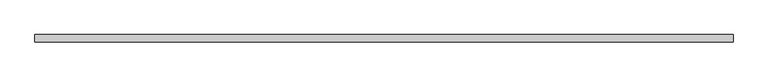
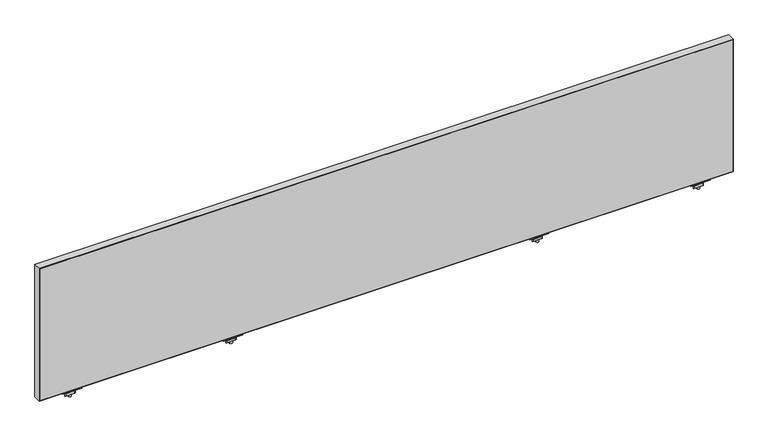
"""IFC4 building model written with IfcOpenShell, lengths in millimetres: furniture geometry."""

from ifc_helpers import new_model, si_unit, frame, origin, place, context, project, spatial, polyline, circle_curve, outline, extrude, source, transform, mapped, element, save
from ifc_brep_helpers import plane_surface, cylinder_surface, advanced_brep


def furniture_0c1c678f(model_context):
    return source(origin(), model_context, "Body", "SolidModel", [
        advanced_brep(
        [(536.8033004, -29.196837, 670.6616072), (536.8033004, -33.5530914, 671.3021931), (536.8033004, -43.8905804, 671.3021931), (536.8033004, -48.246837, 670.6616072), (536.8033004, -48.246837, 668.8074326), (536.8033004, -29.196837, 668.8074326), (486.0033035, -29.196837, 670.6616072), (486.0033035, -29.196837, 668.8074326), (486.0033035, -48.246837, 668.8074326), (486.0033035, -48.246837, 670.6616072), (486.0033035, -43.8905804, 671.3021931), (486.0033035, -33.5530914, 671.3021931), (507.3105233, -38.7342719, 668.8074326), (515.2934767, -38.7342719, 668.8074326), (515.2934767, -38.7342719, 671.3021931), (507.3105233, -38.7342719, 671.3021931), (507.3105233, -38.7342719, 650.2879234), (515.2934767, -38.7342719, 650.2879234), (507.3105233, -38.7342719, 676.3883652), (515.2934767, -38.7342719, 676.3883652), (507.3105233, -38.7342719, 665.4211567), (515.2934767, -38.7342719, 665.4211567), (515.2934767, -38.7342719, 659.0711809), (507.3105233, -38.7342719, 659.0711809), (500.9859918, -33.0068357, 665.4211567), (494.8268209, -43.6748356, 665.4211567), (496.1466433, -45.9608347, 665.4211567), (519.1792346, -45.9608347, 665.4211567), (521.8188771, -44.4368361, 665.4211567), (527.9780487, -33.7688351, 665.4211567), (526.6582256, -31.4828349, 665.4211567), (503.6256383, -31.4828349, 665.4211567), (500.9859918, -33.0068357, 659.0711809), (503.6256383, -31.4828349, 659.0711809), (526.6582256, -31.4828349, 659.0711809), (527.9780487, -33.7688351, 659.0711809), (521.8188771, -44.4368361, 659.0711809), (519.1792346, -45.9608347, 659.0711809), (496.1466433, -45.9608347, 659.0711809), (494.8268209, -43.6748356, 659.0711809)],
        [
            (0, 1),
            (1, 2),
            (2, 3),
            (3, 4),
            (4, 5),
            (5, 0),
            (6, 7),
            (7, 8),
            (8, 9),
            (9, 10),
            (10, 11),
            (11, 6),
            (5, 7),
            (6, 0),
            (4, 8),
            (12, 13, circle_curve(frame((511.302, -38.7342719, 668.8074326), z_axis=(0.0, 0.0, 1.0), x_axis=(1.0, 0.0, 0.0)), 3.9914767)),
            (13, 12, circle_curve(frame((511.302, -38.7342719, 668.8074326), z_axis=(0.0, 0.0, 1.0), x_axis=(1.0, 0.0, 0.0)), 3.9914767)),
            (3, 9),
            (2, 10),
            (1, 11),
            (14, 15, circle_curve(frame((511.302, -38.7342719, 671.3021931), z_axis=(0.0, 0.0, -1.0), x_axis=(1.0, 0.0, 0.0)), 3.9914767)),
            (15, 14, circle_curve(frame((511.302, -38.7342719, 671.3021931), z_axis=(0.0, 0.0, -1.0), x_axis=(1.0, 0.0, 0.0)), 3.9914767)),
            (16, 17, circle_curve(frame((511.302, -38.7342719, 650.2879234), z_axis=(0.0, 0.0, -1.0), x_axis=(1.0, 0.0, 0.0)), 3.9914767)),
            (17, 16, circle_curve(frame((511.302, -38.7342719, 650.2879234), z_axis=(0.0, 0.0, -1.0), x_axis=(1.0, 0.0, 0.0)), 3.9914767)),
            (18, 19, circle_curve(frame((511.302, -38.7342719, 676.3883652), z_axis=(0.0, 0.0, 1.0), x_axis=(1.0, 0.0, 0.0)), 3.9914767)),
            (19, 18, circle_curve(frame((511.302, -38.7342719, 676.3883652), z_axis=(0.0, 0.0, 1.0), x_axis=(1.0, 0.0, 0.0)), 3.9914767)),
            (12, 20),
            (20, 21, circle_curve(frame((511.302, -38.7342719, 665.4211567), z_axis=(0.0, 0.0, 1.0), x_axis=(1.0, 0.0, 0.0)), 3.9914767)),
            (21, 13),
            (17, 22),
            (22, 23, circle_curve(frame((511.302, -38.7342719, 659.0711809), z_axis=(0.0, 0.0, -1.0), x_axis=(1.0, 0.0, 0.0)), 3.9914767)),
            (23, 16),
            (18, 15),
            (14, 19),
            (21, 20, circle_curve(frame((511.302, -38.7342719, 665.4211567), z_axis=(0.0, 0.0, 1.0), x_axis=(1.0, 0.0, 0.0)), 3.9914767)),
            (23, 22, circle_curve(frame((511.302, -38.7342719, 659.0711809), z_axis=(0.0, 0.0, -1.0), x_axis=(1.0, 0.0, 0.0)), 3.9914767)),
            (24, 25),
            (25, 26, circle_curve(frame((496.1466433, -44.4368352, 665.4211567), z_axis=(0.0, 0.0, 1.0), x_axis=(1.0, 0.0, 0.0)), 1.5239995)),
            (26, 27),
            (27, 28, circle_curve(frame((519.1792346, -42.9128382, 665.4211567), z_axis=(0.0, 0.0, 1.0), x_axis=(1.0, 0.0, 0.0)), 3.0479965)),
            (28, 29),
            (29, 30, circle_curve(frame((526.6582256, -33.0068351, 665.4211567), z_axis=(0.0, 0.0, 1.0), x_axis=(1.0, 0.0, 0.0)), 1.5240003)),
            (30, 31),
            (31, 24, circle_curve(frame((503.6256383, -34.5308359, 665.4211567), z_axis=(0.0, 0.0, 1.0), x_axis=(1.0, 0.0, 0.0)), 3.048001)),
            (32, 33, circle_curve(frame((503.6256383, -34.5308359, 659.0711809), z_axis=(0.0, 0.0, -1.0), x_axis=(1.0, 0.0, 0.0)), 3.048001)),
            (33, 34),
            (34, 35, circle_curve(frame((526.6582256, -33.0068351, 659.0711809), z_axis=(0.0, 0.0, -1.0), x_axis=(1.0, 0.0, 0.0)), 1.5240003)),
            (35, 36),
            (36, 37, circle_curve(frame((519.1792346, -42.9128382, 659.0711809), z_axis=(0.0, 0.0, -1.0), x_axis=(1.0, 0.0, 0.0)), 3.0479965)),
            (37, 38),
            (38, 39, circle_curve(frame((496.1466433, -44.4368352, 659.0711809), z_axis=(0.0, 0.0, -1.0), x_axis=(1.0, 0.0, 0.0)), 1.5239995)),
            (39, 32),
            (24, 32),
            (39, 25),
            (38, 26),
            (37, 27),
            (36, 28),
            (35, 29),
            (34, 30),
            (33, 31),
        ],
        [
            plane_surface(frame((536.8033004, -33.5530914, 671.3021931), z_axis=(1.0000000000000002, 0.0, 0.0), x_axis=(0.0, -0.9893604345476915, 0.14548515577749913))),
            plane_surface(frame((486.0033035, -33.5530914, 671.3021931), z_axis=(-1.0000000000000002, 0.0, 0.0), x_axis=(0.0, 0.9893604345476915, -0.14548515577749913))),
            plane_surface(frame((536.8033004, -29.196837, 668.8074326), z_axis=(0.0, 1.0, 0.0), x_axis=(-1.0, 0.0, 0.0))),
            plane_surface(frame((536.8033004, -48.246837, 668.8074326), z_axis=(0.0, 0.0, -1.0), x_axis=(-1.0, 0.0, 0.0))),
            plane_surface(frame((536.8033004, -48.246837, 670.6616072), z_axis=(0.0, -1.0, 0.0), x_axis=(-1.0, 0.0, 0.0))),
            plane_surface(frame((536.8033004, -43.8905804, 671.3021931), z_axis=(0.0, -0.1454850815406733, 0.9893604454641917), x_axis=(-1.0, 0.0, 0.0))),
            plane_surface(frame((536.8033004, -33.5530914, 671.3021931), z_axis=(0.0, 0.0, 1.0), x_axis=(-1.0, 0.0, 0.0))),
            plane_surface(frame((536.8033004, -29.196837, 670.6616072), z_axis=(0.0, 0.14548515577749913, 0.9893604345476915), x_axis=(-1.0, 0.0, 0.0))),
            plane_surface(frame((515.2934767, -38.7342719, 650.2879234), z_axis=(0.0, 0.0, -1.0), x_axis=(0.0, -1.0, 0.0))),
            plane_surface(frame((515.2934767, -38.7342719, 676.3883652), z_axis=(0.0, 0.0, 1.0), x_axis=(0.0, 1.0, 0.0))),
            cylinder_surface(frame((511.302, -38.7342719, 650.2879234), z_axis=(0.0, 0.0, 1.0), x_axis=(1.0, 0.0, 0.0)), 3.9914767),
            plane_surface(frame((494.8268201, -43.6748369, 665.4211567), z_axis=(0.0, 0.0, 1.0000000000000002), x_axis=(-0.4999998964528706, -0.8660254635673935, 0.0))),
            plane_surface(frame((494.8268201, -43.6748369, 659.0711809), z_axis=(0.0, 0.0, -1.0000000000000002), x_axis=(0.4999998964528706, 0.8660254635673935, 0.0))),
            plane_surface(frame((500.9859918, -33.0068357, 665.4211567), z_axis=(-0.8660254635673935, 0.4999998964528706, 0.0), x_axis=(0.0, 0.0, -1.0))),
            cylinder_surface(frame((496.1466433, -44.4368352, 659.0711809), z_axis=(0.0, 0.0, 1.0), x_axis=(1.0, 0.0, 0.0)), 1.5239995),
            plane_surface(frame((496.1466433, -45.9608347, 665.4211567), z_axis=(0.0, -1.0, 0.0), x_axis=(0.0, 0.0, -1.0))),
            cylinder_surface(frame((519.1792346, -42.9128382, 659.0711809), z_axis=(0.0, 0.0, 1.0), x_axis=(1.0, 0.0, 0.0)), 3.0479965),
            plane_surface(frame((521.8188771, -44.4368361, 665.4211567), z_axis=(0.8660254635674228, -0.4999998964528197, 0.0), x_axis=(0.0, 0.0, -1.0))),
            cylinder_surface(frame((526.6582256, -33.0068351, 659.0711809), z_axis=(0.0, 0.0, 1.0), x_axis=(1.0, 0.0, 0.0)), 1.5240003),
            plane_surface(frame((526.6582256, -31.4828349, 665.4211567), z_axis=(0.0, 1.0, 0.0), x_axis=(0.0, 0.0, -1.0))),
            cylinder_surface(frame((503.6256383, -34.5308359, 659.0711809), z_axis=(0.0, 0.0, 1.0), x_axis=(1.0, 0.0, 0.0)), 3.048001),
        ],
        [
            (0, [[1, 2, 3, 4, 5, 6]]),
            (1, [[7, 8, 9, 10, 11, 12]]),
            (2, [[-6, 13, -7, 14]]),
            (3, [[-5, 15, -8, -13], [16, 17]]),
            (4, [[-4, 18, -9, -15]]),
            (5, [[-3, 19, -10, -18]]),
            (6, [[-2, 20, -11, -19], [21, 22]]),
            (7, [[-1, -14, -12, -20]]),
            (8, [[23, 24]]),
            (9, [[25, 26]]),
            (10, [[-16, 27, 28, 29]]),
            (10, [[-24, 30, 31, 32]]),
            (10, [[-25, 33, -21, 34]]),
            (10, [[-17, -29, 35, -27]]),
            (10, [[-23, -32, 36, -30]]),
            (10, [[-26, -34, -22, -33]]),
            (11, [[37, 38, 39, 40, 41, 42, 43, 44], [-28, -35]]),
            (12, [[45, 46, 47, 48, 49, 50, 51, 52], [-31, -36]]),
            (13, [[-37, 53, -52, 54]]),
            (14, [[-38, -54, -51, 55]]),
            (15, [[-39, -55, -50, 56]]),
            (16, [[-40, -56, -49, 57]]),
            (17, [[-41, -57, -48, 58]]),
            (18, [[-42, -58, -47, 59]]),
            (19, [[-43, -59, -46, 60]]),
            (20, [[-44, -60, -45, -53]]),
        ],
    ),
        advanced_brep(
        [(1766.6713004, -29.196837, 670.6616072), (1766.6713004, -33.5530914, 671.3021931), (1766.6713004, -43.8905804, 671.3021931), (1766.6713004, -48.246837, 670.6616072), (1766.6713004, -48.246837, 668.8074326), (1766.6713004, -29.196837, 668.8074326), (1715.8713035, -29.196837, 670.6616072), (1715.8713035, -29.196837, 668.8074326), (1715.8713035, -48.246837, 668.8074326), (1715.8713035, -48.246837, 670.6616072), (1715.8713035, -43.8905804, 671.3021931), (1715.8713035, -33.5530914, 671.3021931), (1737.1785233, -38.7342719, 668.8074326), (1745.1614767, -38.7342719, 668.8074326), (1745.1614767, -38.7342719, 671.3021931), (1737.1785233, -38.7342719, 671.3021931), (1737.1785233, -38.7342719, 650.2879234), (1745.1614767, -38.7342719, 650.2879234), (1737.1785233, -38.7342719, 676.3883652), (1745.1614767, -38.7342719, 676.3883652), (1737.1785233, -38.7342719, 665.4211567), (1745.1614767, -38.7342719, 665.4211567), (1745.1614767, -38.7342719, 659.0711809), (1737.1785233, -38.7342719, 659.0711809), (1730.8539918, -33.0068357, 665.4211567), (1724.6948209, -43.6748356, 665.4211567), (1726.0146433, -45.9608347, 665.4211567), (1749.0472346, -45.9608347, 665.4211567), (1751.6868771, -44.4368361, 665.4211567), (1757.8460487, -33.7688351, 665.4211567), (1756.5262256, -31.4828349, 665.4211567), (1733.4936383, -31.4828349, 665.4211567), (1730.8539918, -33.0068357, 659.0711809), (1733.4936383, -31.4828349, 659.0711809), (1756.5262256, -31.4828349, 659.0711809), (1757.8460487, -33.7688351, 659.0711809), (1751.6868771, -44.4368361, 659.0711809), (1749.0472346, -45.9608347, 659.0711809), (1726.0146433, -45.9608347, 659.0711809), (1724.6948209, -43.6748356, 659.0711809)],
        [
            (0, 1),
            (1, 2),
            (2, 3),
            (3, 4),
            (4, 5),
            (5, 0),
            (6, 7),
            (7, 8),
            (8, 9),
            (9, 10),
            (10, 11),
            (11, 6),
            (5, 7),
            (6, 0),
            (4, 8),
            (12, 13, circle_curve(frame((1741.17, -38.7342719, 668.8074326), z_axis=(0.0, 0.0, 1.0), x_axis=(1.0, 0.0, 0.0)), 3.9914767)),
            (13, 12, circle_curve(frame((1741.17, -38.7342719, 668.8074326), z_axis=(0.0, 0.0, 1.0), x_axis=(1.0, 0.0, 0.0)), 3.9914767)),
            (3, 9),
            (2, 10),
            (1, 11),
            (14, 15, circle_curve(frame((1741.17, -38.7342719, 671.3021931), z_axis=(0.0, 0.0, -1.0), x_axis=(1.0, 0.0, 0.0)), 3.9914767)),
            (15, 14, circle_curve(frame((1741.17, -38.7342719, 671.3021931), z_axis=(0.0, 0.0, -1.0), x_axis=(1.0, 0.0, 0.0)), 3.9914767)),
            (16, 17, circle_curve(frame((1741.17, -38.7342719, 650.2879234), z_axis=(0.0, 0.0, -1.0), x_axis=(1.0, 0.0, 0.0)), 3.9914767)),
            (17, 16, circle_curve(frame((1741.17, -38.7342719, 650.2879234), z_axis=(0.0, 0.0, -1.0), x_axis=(1.0, 0.0, 0.0)), 3.9914767)),
            (18, 19, circle_curve(frame((1741.17, -38.7342719, 676.3883652), z_axis=(0.0, 0.0, 1.0), x_axis=(1.0, 0.0, 0.0)), 3.9914767)),
            (19, 18, circle_curve(frame((1741.17, -38.7342719, 676.3883652), z_axis=(0.0, 0.0, 1.0), x_axis=(1.0, 0.0, 0.0)), 3.9914767)),
            (12, 20),
            (20, 21, circle_curve(frame((1741.17, -38.7342719, 665.4211567), z_axis=(0.0, 0.0, 1.0), x_axis=(1.0, 0.0, 0.0)), 3.9914767)),
            (21, 13),
            (17, 22),
            (22, 23, circle_curve(frame((1741.17, -38.7342719, 659.0711809), z_axis=(0.0, 0.0, -1.0), x_axis=(1.0, 0.0, 0.0)), 3.9914767)),
            (23, 16),
            (18, 15),
            (14, 19),
            (21, 20, circle_curve(frame((1741.17, -38.7342719, 665.4211567), z_axis=(0.0, 0.0, 1.0), x_axis=(1.0, 0.0, 0.0)), 3.9914767)),
            (23, 22, circle_curve(frame((1741.17, -38.7342719, 659.0711809), z_axis=(0.0, 0.0, -1.0), x_axis=(1.0, 0.0, 0.0)), 3.9914767)),
            (24, 25),
            (25, 26, circle_curve(frame((1726.0146433, -44.4368352, 665.4211567), z_axis=(0.0, 0.0, 1.0), x_axis=(1.0, 0.0, 0.0)), 1.5239995)),
            (26, 27),
            (27, 28, circle_curve(frame((1749.0472346, -42.9128382, 665.4211567), z_axis=(0.0, 0.0, 1.0), x_axis=(1.0, 0.0, 0.0)), 3.0479965)),
            (28, 29),
            (29, 30, circle_curve(frame((1756.5262256, -33.0068351, 665.4211567), z_axis=(0.0, 0.0, 1.0), x_axis=(1.0, 0.0, 0.0)), 1.5240003)),
            (30, 31),
            (31, 24, circle_curve(frame((1733.4936383, -34.5308359, 665.4211567), z_axis=(0.0, 0.0, 1.0), x_axis=(1.0, 0.0, 0.0)), 3.048001)),
            (32, 33, circle_curve(frame((1733.4936383, -34.5308359, 659.0711809), z_axis=(0.0, 0.0, -1.0), x_axis=(1.0, 0.0, 0.0)), 3.048001)),
            (33, 34),
            (34, 35, circle_curve(frame((1756.5262256, -33.0068351, 659.0711809), z_axis=(0.0, 0.0, -1.0), x_axis=(1.0, 0.0, 0.0)), 1.5240003)),
            (35, 36),
            (36, 37, circle_curve(frame((1749.0472346, -42.9128382, 659.0711809), z_axis=(0.0, 0.0, -1.0), x_axis=(1.0, 0.0, 0.0)), 3.0479965)),
            (37, 38),
            (38, 39, circle_curve(frame((1726.0146433, -44.4368352, 659.0711809), z_axis=(0.0, 0.0, -1.0), x_axis=(1.0, 0.0, 0.0)), 1.5239995)),
            (39, 32),
            (24, 32),
            (39, 25),
            (38, 26),
            (37, 27),
            (36, 28),
            (35, 29),
            (34, 30),
            (33, 31),
        ],
        [
            plane_surface(frame((1766.6713004, -33.5530914, 671.3021931), z_axis=(1.0000000000000002, 0.0, 0.0), x_axis=(0.0, -0.9893604345476915, 0.14548515577749913))),
            plane_surface(frame((1715.8713035, -33.5530914, 671.3021931), z_axis=(-1.0000000000000002, 0.0, 0.0), x_axis=(0.0, 0.9893604345476915, -0.14548515577749913))),
            plane_surface(frame((1766.6713004, -29.196837, 668.8074326), z_axis=(0.0, 1.0, 0.0), x_axis=(-1.0, 0.0, 0.0))),
            plane_surface(frame((1766.6713004, -48.246837, 668.8074326), z_axis=(0.0, 0.0, -1.0), x_axis=(-1.0, 0.0, 0.0))),
            plane_surface(frame((1766.6713004, -48.246837, 670.6616072), z_axis=(0.0, -1.0, 0.0), x_axis=(-1.0, 0.0, 0.0))),
            plane_surface(frame((1766.6713004, -43.8905804, 671.3021931), z_axis=(0.0, -0.1454850815406733, 0.9893604454641917), x_axis=(-1.0, 0.0, 0.0))),
            plane_surface(frame((1766.6713004, -33.5530914, 671.3021931), z_axis=(0.0, 0.0, 1.0), x_axis=(-1.0, 0.0, 0.0))),
            plane_surface(frame((1766.6713004, -29.196837, 670.6616072), z_axis=(0.0, 0.14548515577749913, 0.9893604345476915), x_axis=(-1.0, 0.0, 0.0))),
            plane_surface(frame((1745.1614767, -38.7342719, 650.2879234), z_axis=(0.0, 0.0, -1.0), x_axis=(0.0, -1.0, 0.0))),
            plane_surface(frame((1745.1614767, -38.7342719, 676.3883652), z_axis=(0.0, 0.0, 1.0), x_axis=(0.0, 1.0, 0.0))),
            cylinder_surface(frame((1741.17, -38.7342719, 650.2879234), z_axis=(0.0, 0.0, 1.0), x_axis=(1.0, 0.0, 0.0)), 3.9914767),
            plane_surface(frame((1724.6948201, -43.6748369, 665.4211567), z_axis=(0.0, 0.0, 1.0000000000000002), x_axis=(-0.4999998964528706, -0.8660254635673935, 0.0))),
            plane_surface(frame((1724.6948201, -43.6748369, 659.0711809), z_axis=(0.0, 0.0, -1.0000000000000002), x_axis=(0.4999998964528706, 0.8660254635673935, 0.0))),
            plane_surface(frame((1730.8539918, -33.0068357, 665.4211567), z_axis=(-0.8660254635673935, 0.4999998964528706, 0.0), x_axis=(0.0, 0.0, -1.0))),
            cylinder_surface(frame((1726.0146433, -44.4368352, 659.0711809), z_axis=(0.0, 0.0, 1.0), x_axis=(1.0, 0.0, 0.0)), 1.5239995),
            plane_surface(frame((1726.0146433, -45.9608347, 665.4211567), z_axis=(0.0, -1.0, 0.0), x_axis=(0.0, 0.0, -1.0))),
            cylinder_surface(frame((1749.0472346, -42.9128382, 659.0711809), z_axis=(0.0, 0.0, 1.0), x_axis=(1.0, 0.0, 0.0)), 3.0479965),
            plane_surface(frame((1751.6868771, -44.4368361, 665.4211567), z_axis=(0.8660254635674228, -0.4999998964528197, 0.0), x_axis=(0.0, 0.0, -1.0))),
            cylinder_surface(frame((1756.5262256, -33.0068351, 659.0711809), z_axis=(0.0, 0.0, 1.0), x_axis=(1.0, 0.0, 0.0)), 1.5240003),
            plane_surface(frame((1756.5262256, -31.4828349, 665.4211567), z_axis=(0.0, 1.0, 0.0), x_axis=(0.0, 0.0, -1.0))),
            cylinder_surface(frame((1733.4936383, -34.5308359, 659.0711809), z_axis=(0.0, 0.0, 1.0), x_axis=(1.0, 0.0, 0.0)), 3.048001),
        ],
        [
            (0, [[1, 2, 3, 4, 5, 6]]),
            (1, [[7, 8, 9, 10, 11, 12]]),
            (2, [[-6, 13, -7, 14]]),
            (3, [[-5, 15, -8, -13], [16, 17]]),
            (4, [[-4, 18, -9, -15]]),
            (5, [[-3, 19, -10, -18]]),
            (6, [[-2, 20, -11, -19], [21, 22]]),
            (7, [[-1, -14, -12, -20]]),
            (8, [[23, 24]]),
            (9, [[25, 26]]),
            (10, [[-16, 27, 28, 29]]),
            (10, [[-24, 30, 31, 32]]),
            (10, [[-25, 33, -21, 34]]),
            (10, [[-17, -29, 35, -27]]),
            (10, [[-23, -32, 36, -30]]),
            (10, [[-26, -34, -22, -33]]),
            (11, [[37, 38, 39, 40, 41, 42, 43, 44], [-28, -35]]),
            (12, [[45, 46, 47, 48, 49, 50, 51, 52], [-31, -36]]),
            (13, [[-37, 53, -52, 54]]),
            (14, [[-38, -54, -51, 55]]),
            (15, [[-39, -55, -50, 56]]),
            (16, [[-40, -56, -49, 57]]),
            (17, [[-41, -57, -48, 58]]),
            (18, [[-42, -58, -47, 59]]),
            (19, [[-43, -59, -46, 60]]),
            (20, [[-44, -60, -45, -53]]),
        ],
    ),
        advanced_brep(
        [(1342.9993004, -29.196837, 670.6616072), (1342.9993004, -33.5530914, 671.3021931), (1342.9993004, -43.8905804, 671.3021931), (1342.9993004, -48.246837, 670.6616072), (1342.9993004, -48.246837, 668.8074326), (1342.9993004, -29.196837, 668.8074326), (1292.1993035, -29.196837, 670.6616072), (1292.1993035, -29.196837, 668.8074326), (1292.1993035, -48.246837, 668.8074326), (1292.1993035, -48.246837, 670.6616072), (1292.1993035, -43.8905804, 671.3021931), (1292.1993035, -33.5530914, 671.3021931), (1313.5065233, -38.7342719, 668.8074326), (1321.4894767, -38.7342719, 668.8074326), (1321.4894767, -38.7342719, 671.3021931), (1313.5065233, -38.7342719, 671.3021931), (1313.5065233, -38.7342719, 650.2879234), (1321.4894767, -38.7342719, 650.2879234), (1313.5065233, -38.7342719, 676.3883652), (1321.4894767, -38.7342719, 676.3883652), (1313.5065233, -38.7342719, 665.4211567), (1321.4894767, -38.7342719, 665.4211567), (1321.4894767, -38.7342719, 659.0711809), (1313.5065233, -38.7342719, 659.0711809), (1307.1819918, -33.0068357, 665.4211567), (1301.0228209, -43.6748356, 665.4211567), (1302.3426433, -45.9608347, 665.4211567), (1325.3752346, -45.9608347, 665.4211567), (1328.0148771, -44.4368361, 665.4211567), (1334.1740487, -33.7688351, 665.4211567), (1332.8542256, -31.4828349, 665.4211567), (1309.8216383, -31.4828349, 665.4211567), (1307.1819918, -33.0068357, 659.0711809), (1309.8216383, -31.4828349, 659.0711809), (1332.8542256, -31.4828349, 659.0711809), (1334.1740487, -33.7688351, 659.0711809), (1328.0148771, -44.4368361, 659.0711809), (1325.3752346, -45.9608347, 659.0711809), (1302.3426433, -45.9608347, 659.0711809), (1301.0228209, -43.6748356, 659.0711809)],
        [
            (0, 1),
            (1, 2),
            (2, 3),
            (3, 4),
            (4, 5),
            (5, 0),
            (6, 7),
            (7, 8),
            (8, 9),
            (9, 10),
            (10, 11),
            (11, 6),
            (5, 7),
            (6, 0),
            (4, 8),
            (12, 13, circle_curve(frame((1317.498, -38.7342719, 668.8074326), z_axis=(0.0, 0.0, 1.0), x_axis=(1.0, 0.0, 0.0)), 3.9914767)),
            (13, 12, circle_curve(frame((1317.498, -38.7342719, 668.8074326), z_axis=(0.0, 0.0, 1.0), x_axis=(1.0, 0.0, 0.0)), 3.9914767)),
            (3, 9),
            (2, 10),
            (1, 11),
            (14, 15, circle_curve(frame((1317.498, -38.7342719, 671.3021931), z_axis=(0.0, 0.0, -1.0), x_axis=(1.0, 0.0, 0.0)), 3.9914767)),
            (15, 14, circle_curve(frame((1317.498, -38.7342719, 671.3021931), z_axis=(0.0, 0.0, -1.0), x_axis=(1.0, 0.0, 0.0)), 3.9914767)),
            (16, 17, circle_curve(frame((1317.498, -38.7342719, 650.2879234), z_axis=(0.0, 0.0, -1.0), x_axis=(1.0, 0.0, 0.0)), 3.9914767)),
            (17, 16, circle_curve(frame((1317.498, -38.7342719, 650.2879234), z_axis=(0.0, 0.0, -1.0), x_axis=(1.0, 0.0, 0.0)), 3.9914767)),
            (18, 19, circle_curve(frame((1317.498, -38.7342719, 676.3883652), z_axis=(0.0, 0.0, 1.0), x_axis=(1.0, 0.0, 0.0)), 3.9914767)),
            (19, 18, circle_curve(frame((1317.498, -38.7342719, 676.3883652), z_axis=(0.0, 0.0, 1.0), x_axis=(1.0, 0.0, 0.0)), 3.9914767)),
            (12, 20),
            (20, 21, circle_curve(frame((1317.498, -38.7342719, 665.4211567), z_axis=(0.0, 0.0, 1.0), x_axis=(1.0, 0.0, 0.0)), 3.9914767)),
            (21, 13),
            (17, 22),
            (22, 23, circle_curve(frame((1317.498, -38.7342719, 659.0711809), z_axis=(0.0, 0.0, -1.0), x_axis=(1.0, 0.0, 0.0)), 3.9914767)),
            (23, 16),
            (18, 15),
            (14, 19),
            (21, 20, circle_curve(frame((1317.498, -38.7342719, 665.4211567), z_axis=(0.0, 0.0, 1.0), x_axis=(1.0, 0.0, 0.0)), 3.9914767)),
            (23, 22, circle_curve(frame((1317.498, -38.7342719, 659.0711809), z_axis=(0.0, 0.0, -1.0), x_axis=(1.0, 0.0, 0.0)), 3.9914767)),
            (24, 25),
            (25, 26, circle_curve(frame((1302.3426433, -44.4368352, 665.4211567), z_axis=(0.0, 0.0, 1.0), x_axis=(1.0, 0.0, 0.0)), 1.5239995)),
            (26, 27),
            (27, 28, circle_curve(frame((1325.3752346, -42.9128382, 665.4211567), z_axis=(0.0, 0.0, 1.0), x_axis=(1.0, 0.0, 0.0)), 3.0479965)),
            (28, 29),
            (29, 30, circle_curve(frame((1332.8542256, -33.0068351, 665.4211567), z_axis=(0.0, 0.0, 1.0), x_axis=(1.0, 0.0, 0.0)), 1.5240003)),
            (30, 31),
            (31, 24, circle_curve(frame((1309.8216383, -34.5308359, 665.4211567), z_axis=(0.0, 0.0, 1.0), x_axis=(1.0, 0.0, 0.0)), 3.048001)),
            (32, 33, circle_curve(frame((1309.8216383, -34.5308359, 659.0711809), z_axis=(0.0, 0.0, -1.0), x_axis=(1.0, 0.0, 0.0)), 3.048001)),
            (33, 34),
            (34, 35, circle_curve(frame((1332.8542256, -33.0068351, 659.0711809), z_axis=(0.0, 0.0, -1.0), x_axis=(1.0, 0.0, 0.0)), 1.5240003)),
            (35, 36),
            (36, 37, circle_curve(frame((1325.3752346, -42.9128382, 659.0711809), z_axis=(0.0, 0.0, -1.0), x_axis=(1.0, 0.0, 0.0)), 3.0479965)),
            (37, 38),
            (38, 39, circle_curve(frame((1302.3426433, -44.4368352, 659.0711809), z_axis=(0.0, 0.0, -1.0), x_axis=(1.0, 0.0, 0.0)), 1.5239995)),
            (39, 32),
            (24, 32),
            (39, 25),
            (38, 26),
            (37, 27),
            (36, 28),
            (35, 29),
            (34, 30),
            (33, 31),
        ],
        [
            plane_surface(frame((1342.9993004, -33.5530914, 671.3021931), z_axis=(1.0000000000000002, 0.0, 0.0), x_axis=(0.0, -0.9893604345476915, 0.14548515577749913))),
            plane_surface(frame((1292.1993035, -33.5530914, 671.3021931), z_axis=(-1.0000000000000002, 0.0, 0.0), x_axis=(0.0, 0.9893604345476915, -0.14548515577749913))),
            plane_surface(frame((1342.9993004, -29.196837, 668.8074326), z_axis=(0.0, 1.0, 0.0), x_axis=(-1.0, 0.0, 0.0))),
            plane_surface(frame((1342.9993004, -48.246837, 668.8074326), z_axis=(0.0, 0.0, -1.0), x_axis=(-1.0, 0.0, 0.0))),
            plane_surface(frame((1342.9993004, -48.246837, 670.6616072), z_axis=(0.0, -1.0, 0.0), x_axis=(-1.0, 0.0, 0.0))),
            plane_surface(frame((1342.9993004, -43.8905804, 671.3021931), z_axis=(0.0, -0.1454850815406733, 0.9893604454641917), x_axis=(-1.0, 0.0, 0.0))),
            plane_surface(frame((1342.9993004, -33.5530914, 671.3021931), z_axis=(0.0, 0.0, 1.0), x_axis=(-1.0, 0.0, 0.0))),
            plane_surface(frame((1342.9993004, -29.196837, 670.6616072), z_axis=(0.0, 0.14548515577749913, 0.9893604345476915), x_axis=(-1.0, 0.0, 0.0))),
            plane_surface(frame((1321.4894767, -38.7342719, 650.2879234), z_axis=(0.0, 0.0, -1.0), x_axis=(0.0, -1.0, 0.0))),
            plane_surface(frame((1321.4894767, -38.7342719, 676.3883652), z_axis=(0.0, 0.0, 1.0), x_axis=(0.0, 1.0, 0.0))),
            cylinder_surface(frame((1317.498, -38.7342719, 650.2879234), z_axis=(0.0, 0.0, 1.0), x_axis=(1.0, 0.0, 0.0)), 3.9914767),
            plane_surface(frame((1301.0228201, -43.6748369, 665.4211567), z_axis=(0.0, 0.0, 1.0000000000000002), x_axis=(-0.4999998964528706, -0.8660254635673935, 0.0))),
            plane_surface(frame((1301.0228201, -43.6748369, 659.0711809), z_axis=(0.0, 0.0, -1.0000000000000002), x_axis=(0.4999998964528706, 0.8660254635673935, 0.0))),
            plane_surface(frame((1307.1819918, -33.0068357, 665.4211567), z_axis=(-0.8660254635673935, 0.4999998964528706, 0.0), x_axis=(0.0, 0.0, -1.0))),
            cylinder_surface(frame((1302.3426433, -44.4368352, 659.0711809), z_axis=(0.0, 0.0, 1.0), x_axis=(1.0, 0.0, 0.0)), 1.5239995),
            plane_surface(frame((1302.3426433, -45.9608347, 665.4211567), z_axis=(0.0, -1.0, 0.0), x_axis=(0.0, 0.0, -1.0))),
            cylinder_surface(frame((1325.3752346, -42.9128382, 659.0711809), z_axis=(0.0, 0.0, 1.0), x_axis=(1.0, 0.0, 0.0)), 3.0479965),
            plane_surface(frame((1328.0148771, -44.4368361, 665.4211567), z_axis=(0.8660254635674228, -0.4999998964528197, 0.0), x_axis=(0.0, 0.0, -1.0))),
            cylinder_surface(frame((1332.8542256, -33.0068351, 659.0711809), z_axis=(0.0, 0.0, 1.0), x_axis=(1.0, 0.0, 0.0)), 1.5240003),
            plane_surface(frame((1332.8542256, -31.4828349, 665.4211567), z_axis=(0.0, 1.0, 0.0), x_axis=(0.0, 0.0, -1.0))),
            cylinder_surface(frame((1309.8216383, -34.5308359, 659.0711809), z_axis=(0.0, 0.0, 1.0), x_axis=(1.0, 0.0, 0.0)), 3.048001),
        ],
        [
            (0, [[1, 2, 3, 4, 5, 6]]),
            (1, [[7, 8, 9, 10, 11, 12]]),
            (2, [[-6, 13, -7, 14]]),
            (3, [[-5, 15, -8, -13], [16, 17]]),
            (4, [[-4, 18, -9, -15]]),
            (5, [[-3, 19, -10, -18]]),
            (6, [[-2, 20, -11, -19], [21, 22]]),
            (7, [[-1, -14, -12, -20]]),
            (8, [[23, 24]]),
            (9, [[25, 26]]),
            (10, [[-16, 27, 28, 29]]),
            (10, [[-24, 30, 31, 32]]),
            (10, [[-25, 33, -21, 34]]),
            (10, [[-17, -29, 35, -27]]),
            (10, [[-23, -32, 36, -30]]),
            (10, [[-26, -34, -22, -33]]),
            (11, [[37, 38, 39, 40, 41, 42, 43, 44], [-28, -35]]),
            (12, [[45, 46, 47, 48, 49, 50, 51, 52], [-31, -36]]),
            (13, [[-37, 53, -52, 54]]),
            (14, [[-38, -54, -51, 55]]),
            (15, [[-39, -55, -50, 56]]),
            (16, [[-40, -56, -49, 57]]),
            (17, [[-41, -57, -48, 58]]),
            (18, [[-42, -58, -47, 59]]),
            (19, [[-43, -59, -46, 60]]),
            (20, [[-44, -60, -45, -53]]),
        ],
    ),
        advanced_brep(
        [(113.1313004, -29.196837, 670.6616072), (113.1313004, -33.5530914, 671.3021931), (113.1313004, -43.8905804, 671.3021931), (113.1313004, -48.246837, 670.6616072), (113.1313004, -48.246837, 668.8074326), (113.1313004, -29.196837, 668.8074326), (62.3313035, -29.196837, 670.6616072), (62.3313035, -29.196837, 668.8074326), (62.3313035, -48.246837, 668.8074326), (62.3313035, -48.246837, 670.6616072), (62.3313035, -43.8905804, 671.3021931), (62.3313035, -33.5530914, 671.3021931), (83.6385233, -38.7342719, 668.8074326), (91.6214767, -38.7342719, 668.8074326), (91.6214767, -38.7342719, 671.3021931), (83.6385233, -38.7342719, 671.3021931), (83.6385233, -38.7342719, 650.2879234), (91.6214767, -38.7342719, 650.2879234), (83.6385233, -38.7342719, 676.3883652), (91.6214767, -38.7342719, 676.3883652), (83.6385233, -38.7342719, 665.4211567), (91.6214767, -38.7342719, 665.4211567), (91.6214767, -38.7342719, 659.0711809), (83.6385233, -38.7342719, 659.0711809), (77.3139918, -33.0068357, 665.4211567), (71.1548209, -43.6748356, 665.4211567), (72.4746433, -45.9608347, 665.4211567), (95.5072346, -45.9608347, 665.4211567), (98.1468771, -44.4368361, 665.4211567), (104.3060487, -33.7688351, 665.4211567), (102.9862256, -31.4828349, 665.4211567), (79.9536383, -31.4828349, 665.4211567), (77.3139918, -33.0068357, 659.0711809), (79.9536383, -31.4828349, 659.0711809), (102.9862256, -31.4828349, 659.0711809), (104.3060487, -33.7688351, 659.0711809), (98.1468771, -44.4368361, 659.0711809), (95.5072346, -45.9608347, 659.0711809), (72.4746433, -45.9608347, 659.0711809), (71.1548209, -43.6748356, 659.0711809)],
        [
            (0, 1),
            (1, 2),
            (2, 3),
            (3, 4),
            (4, 5),
            (5, 0),
            (6, 7),
            (7, 8),
            (8, 9),
            (9, 10),
            (10, 11),
            (11, 6),
            (5, 7),
            (6, 0),
            (4, 8),
            (12, 13, circle_curve(frame((87.63, -38.7342719, 668.8074326), z_axis=(0.0, 0.0, 1.0), x_axis=(1.0, 0.0, 0.0)), 3.9914767)),
            (13, 12, circle_curve(frame((87.63, -38.7342719, 668.8074326), z_axis=(0.0, 0.0, 1.0), x_axis=(1.0, 0.0, 0.0)), 3.9914767)),
            (3, 9),
            (2, 10),
            (1, 11),
            (14, 15, circle_curve(frame((87.63, -38.7342719, 671.3021931), z_axis=(0.0, 0.0, -1.0), x_axis=(1.0, 0.0, 0.0)), 3.9914767)),
            (15, 14, circle_curve(frame((87.63, -38.7342719, 671.3021931), z_axis=(0.0, 0.0, -1.0), x_axis=(1.0, 0.0, 0.0)), 3.9914767)),
            (16, 17, circle_curve(frame((87.63, -38.7342719, 650.2879234), z_axis=(0.0, 0.0, -1.0), x_axis=(1.0, 0.0, 0.0)), 3.9914767)),
            (17, 16, circle_curve(frame((87.63, -38.7342719, 650.2879234), z_axis=(0.0, 0.0, -1.0), x_axis=(1.0, 0.0, 0.0)), 3.9914767)),
            (18, 19, circle_curve(frame((87.63, -38.7342719, 676.3883652), z_axis=(0.0, 0.0, 1.0), x_axis=(1.0, 0.0, 0.0)), 3.9914767)),
            (19, 18, circle_curve(frame((87.63, -38.7342719, 676.3883652), z_axis=(0.0, 0.0, 1.0), x_axis=(1.0, 0.0, 0.0)), 3.9914767)),
            (12, 20),
            (20, 21, circle_curve(frame((87.63, -38.7342719, 665.4211567), z_axis=(0.0, 0.0, 1.0), x_axis=(1.0, 0.0, 0.0)), 3.9914767)),
            (21, 13),
            (17, 22),
            (22, 23, circle_curve(frame((87.63, -38.7342719, 659.0711809), z_axis=(0.0, 0.0, -1.0), x_axis=(1.0, 0.0, 0.0)), 3.9914767)),
            (23, 16),
            (18, 15),
            (14, 19),
            (21, 20, circle_curve(frame((87.63, -38.7342719, 665.4211567), z_axis=(0.0, 0.0, 1.0), x_axis=(1.0, 0.0, 0.0)), 3.9914767)),
            (23, 22, circle_curve(frame((87.63, -38.7342719, 659.0711809), z_axis=(0.0, 0.0, -1.0), x_axis=(1.0, 0.0, 0.0)), 3.9914767)),
            (24, 25),
            (25, 26, circle_curve(frame((72.4746433, -44.4368352, 665.4211567), z_axis=(0.0, 0.0, 1.0), x_axis=(1.0, 0.0, 0.0)), 1.5239995)),
            (26, 27),
            (27, 28, circle_curve(frame((95.5072346, -42.9128382, 665.4211567), z_axis=(0.0, 0.0, 1.0), x_axis=(1.0, 0.0, 0.0)), 3.0479965)),
            (28, 29),
            (29, 30, circle_curve(frame((102.9862256, -33.0068351, 665.4211567), z_axis=(0.0, 0.0, 1.0), x_axis=(1.0, 0.0, 0.0)), 1.5240003)),
            (30, 31),
            (31, 24, circle_curve(frame((79.9536383, -34.5308359, 665.4211567), z_axis=(0.0, 0.0, 1.0), x_axis=(1.0, 0.0, 0.0)), 3.048001)),
            (32, 33, circle_curve(frame((79.9536383, -34.5308359, 659.0711809), z_axis=(0.0, 0.0, -1.0), x_axis=(1.0, 0.0, 0.0)), 3.048001)),
            (33, 34),
            (34, 35, circle_curve(frame((102.9862256, -33.0068351, 659.0711809), z_axis=(0.0, 0.0, -1.0), x_axis=(1.0, 0.0, 0.0)), 1.5240003)),
            (35, 36),
            (36, 37, circle_curve(frame((95.5072346, -42.9128382, 659.0711809), z_axis=(0.0, 0.0, -1.0), x_axis=(1.0, 0.0, 0.0)), 3.0479965)),
            (37, 38),
            (38, 39, circle_curve(frame((72.4746433, -44.4368352, 659.0711809), z_axis=(0.0, 0.0, -1.0), x_axis=(1.0, 0.0, 0.0)), 1.5239995)),
            (39, 32),
            (24, 32),
            (39, 25),
            (38, 26),
            (37, 27),
            (36, 28),
            (35, 29),
            (34, 30),
            (33, 31),
        ],
        [
            plane_surface(frame((113.1313004, -33.5530914, 671.3021931), z_axis=(1.0000000000000002, 0.0, 0.0), x_axis=(0.0, -0.9893604345476915, 0.14548515577749913))),
            plane_surface(frame((62.3313035, -33.5530914, 671.3021931), z_axis=(-1.0000000000000002, 0.0, 0.0), x_axis=(0.0, 0.9893604345476915, -0.14548515577749913))),
            plane_surface(frame((113.1313004, -29.196837, 668.8074326), z_axis=(0.0, 1.0, 0.0), x_axis=(-1.0, 0.0, 0.0))),
            plane_surface(frame((113.1313004, -48.246837, 668.8074326), z_axis=(0.0, 0.0, -1.0), x_axis=(-1.0, 0.0, 0.0))),
            plane_surface(frame((113.1313004, -48.246837, 670.6616072), z_axis=(0.0, -1.0, 0.0), x_axis=(-1.0, 0.0, 0.0))),
            plane_surface(frame((113.1313004, -43.8905804, 671.3021931), z_axis=(0.0, -0.1454850815406733, 0.9893604454641917), x_axis=(-1.0, 0.0, 0.0))),
            plane_surface(frame((113.1313004, -33.5530914, 671.3021931), z_axis=(0.0, 0.0, 1.0), x_axis=(-1.0, 0.0, 0.0))),
            plane_surface(frame((113.1313004, -29.196837, 670.6616072), z_axis=(0.0, 0.14548515577749913, 0.9893604345476915), x_axis=(-1.0, 0.0, 0.0))),
            plane_surface(frame((91.6214767, -38.7342719, 650.2879234), z_axis=(0.0, 0.0, -1.0), x_axis=(0.0, -1.0, 0.0))),
            plane_surface(frame((91.6214767, -38.7342719, 676.3883652), z_axis=(0.0, 0.0, 1.0), x_axis=(0.0, 1.0, 0.0))),
            cylinder_surface(frame((87.63, -38.7342719, 650.2879234), z_axis=(0.0, 0.0, 1.0), x_axis=(1.0, 0.0, 0.0)), 3.9914767),
            plane_surface(frame((71.1548201, -43.6748369, 665.4211567), z_axis=(0.0, 0.0, 1.0000000000000002), x_axis=(-0.4999998964528706, -0.8660254635673935, 0.0))),
            plane_surface(frame((71.1548201, -43.6748369, 659.0711809), z_axis=(0.0, 0.0, -1.0000000000000002), x_axis=(0.4999998964528706, 0.8660254635673935, 0.0))),
            plane_surface(frame((77.3139918, -33.0068357, 665.4211567), z_axis=(-0.8660254635673935, 0.4999998964528706, 0.0), x_axis=(0.0, 0.0, -1.0))),
            cylinder_surface(frame((72.4746433, -44.4368352, 659.0711809), z_axis=(0.0, 0.0, 1.0), x_axis=(1.0, 0.0, 0.0)), 1.5239995),
            plane_surface(frame((72.4746433, -45.9608347, 665.4211567), z_axis=(0.0, -1.0, 0.0), x_axis=(0.0, 0.0, -1.0))),
            cylinder_surface(frame((95.5072346, -42.9128382, 659.0711809), z_axis=(0.0, 0.0, 1.0), x_axis=(1.0, 0.0, 0.0)), 3.0479965),
            plane_surface(frame((98.1468771, -44.4368361, 665.4211567), z_axis=(0.8660254635674228, -0.4999998964528197, 0.0), x_axis=(0.0, 0.0, -1.0))),
            cylinder_surface(frame((102.9862256, -33.0068351, 659.0711809), z_axis=(0.0, 0.0, 1.0), x_axis=(1.0, 0.0, 0.0)), 1.5240003),
            plane_surface(frame((102.9862256, -31.4828349, 665.4211567), z_axis=(0.0, 1.0, 0.0), x_axis=(0.0, 0.0, -1.0))),
            cylinder_surface(frame((79.9536383, -34.5308359, 659.0711809), z_axis=(0.0, 0.0, 1.0), x_axis=(1.0, 0.0, 0.0)), 3.048001),
        ],
        [
            (0, [[1, 2, 3, 4, 5, 6]]),
            (1, [[7, 8, 9, 10, 11, 12]]),
            (2, [[-6, 13, -7, 14]]),
            (3, [[-5, 15, -8, -13], [16, 17]]),
            (4, [[-4, 18, -9, -15]]),
            (5, [[-3, 19, -10, -18]]),
            (6, [[-2, 20, -11, -19], [21, 22]]),
            (7, [[-1, -14, -12, -20]]),
            (8, [[23, 24]]),
            (9, [[25, 26]]),
            (10, [[-16, 27, 28, 29]]),
            (10, [[-24, 30, 31, 32]]),
            (10, [[-25, 33, -21, 34]]),
            (10, [[-17, -29, 35, -27]]),
            (10, [[-23, -32, 36, -30]]),
            (10, [[-26, -34, -22, -33]]),
            (11, [[37, 38, 39, 40, 41, 42, 43, 44], [-28, -35]]),
            (12, [[45, 46, 47, 48, 49, 50, 51, 52], [-31, -36]]),
            (13, [[-37, 53, -52, 54]]),
            (14, [[-38, -54, -51, 55]]),
            (15, [[-39, -55, -50, 56]]),
            (16, [[-40, -56, -49, 57]]),
            (17, [[-41, -57, -48, 58]]),
            (18, [[-42, -58, -47, 59]]),
            (19, [[-43, -59, -46, 60]]),
            (20, [[-44, -60, -45, -53]]),
        ],
    ),
        extrude(outline(polyline([(1826.2595291, -48.3869993), (2.54, -48.3869993), (2.54, -29.0829995), (1826.2595291, -29.0829995), (1826.2595291, -48.3869993)])), frame((0.0, 0.0, 672.3646292), z_axis=(0.0, 0.0, 1.0), x_axis=(1.0, 0.0, 0.0)), (0.0, 0.0, 1.0), 367.2839021),
        extrude(outline(polyline([(671.3486292, 1.524), (671.3486292, 1827.2755291), (1040.6645313, 1827.2755291), (1040.6645313, 1.524), (671.3486292, 1.524)]), holes=[polyline([(1039.6485313, 2.54), (1039.6485313, 1826.2595291), (672.3646292, 1826.2595291), (672.3646292, 2.54), (1039.6485313, 2.54)])]), frame((0.0, -48.3869993, 0.0), z_axis=(0.0, 1.0, 0.0), x_axis=(0.0, 0.0, 1.0)), (0.0, 0.0, 1.0), 19.3039998),
    ])


if __name__ == "__main__":
    model = new_model("IFC4")
    model_context = context("Model", 3, world=origin())
    ifc_project = project(units=[si_unit("LENGTHUNIT", "METRE", prefix="MILLI")], contexts=[model_context])
    site = spatial("IfcSite", under=ifc_project)
    building = spatial("IfcBuilding", under=site)
    placement = place(None, origin())
    furniture_shape = furniture_0c1c678f(model_context)
    element("IfcFurniture", 1, at=placement, inside=building, context=model_context, shape_type="MappedRepresentation", body=[
        mapped(furniture_shape, transform((0.0, 0.0, 0.0), x_axis=(1.0, 0.0, 0.0), y_axis=(0.0, 1.0, 0.0), z_axis=(0.0, 0.0, 1.0))),
    ])
    save(model, "model.ifc")
